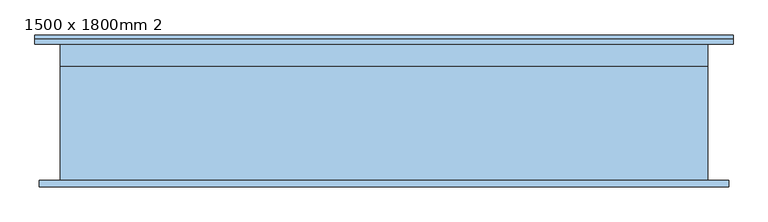
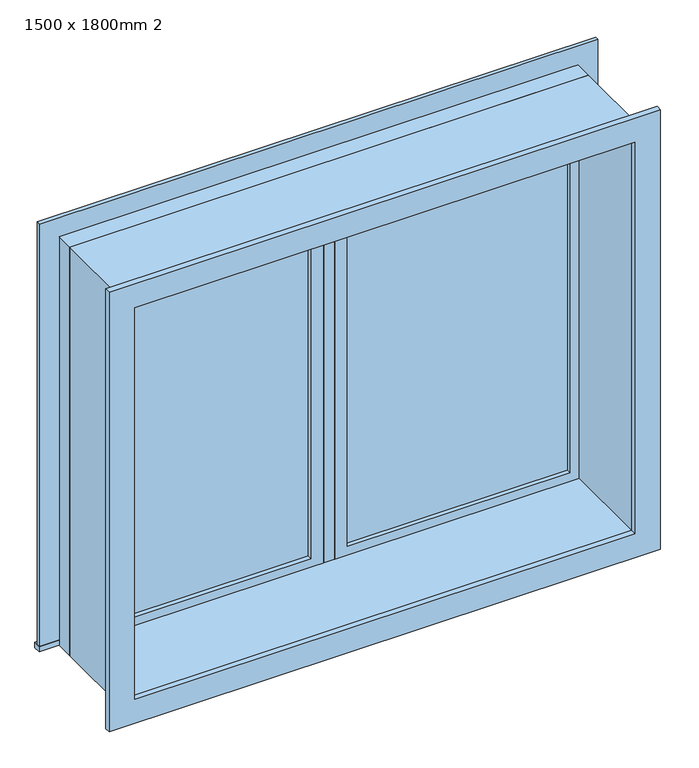
"""IFC4 building model written with IfcOpenShell, lengths in millimetres: window geometry, 1500 x 1800mm 2."""

from ifc_helpers import new_model, si_unit, frame, origin, place, context, project, spatial, polyline, outline, extrude, source, transform, mapped, element, save


def window_1500_x_1800mm_2_595f8032(model_context):
    return source(origin(), model_context, "Body", "SweptSolid", [
        extrude(outline(polyline([(63.5, 173.675), (836.5, 173.675), (836.5, 160.975), (63.5, 160.975), (63.5, 173.675)])), frame((0.0, 0.0, 863.5), z_axis=(0.0, 0.0, 1.0), x_axis=(1.0, 0.0, 0.0)), (0.0, 0.0, 1.0), 1373.0),
        extrude(outline(polyline([(2280.95, 19.05), (819.05, 19.05), (819.05, 880.95), (2280.95, 880.95), (2280.95, 19.05)]), holes=[polyline([(2236.5, 63.5), (2236.5, 836.5), (863.5, 836.5), (863.5, 63.5), (2236.5, 63.5)])]), frame((0.0, 145.1, 0.0), z_axis=(0.0, 1.0, 0.0), x_axis=(0.0, 0.0, 1.0)), (0.0, 0.0, 1.0), 44.45),
        extrude(outline(polyline([(-969.95, 234.25), (969.95, 234.25), (969.95, 208.55), (-969.95, 208.55), (-969.95, 234.25)])), frame((0.0, 0.0, 800.0), z_axis=(0.0, 0.0, 1.0), x_axis=(1.0, 0.0, 0.0)), (0.0, 0.0, 1.0), 19.05),
        extrude(outline(polyline([(2280.95, -880.95), (2280.95, 880.95), (819.05, 880.95), (819.05, 969.95), (2369.95, 969.95), (2369.95, -969.95), (819.05, -969.95), (819.05, -880.95), (2280.95, -880.95)])), frame((0.0, 208.55, 0.0), z_axis=(0.0, 1.0, 0.0), x_axis=(0.0, 0.0, 1.0)), (0.0, 0.0, 1.0), 13.0),
        extrude(outline(polyline([(2357.25, 957.25), (2357.25, -957.25), (742.75, -957.25), (742.75, 957.25), (2357.25, 957.25)]), holes=[polyline([(2268.25, 868.25), (831.75, 868.25), (831.75, -868.25), (2268.25, -868.25), (2268.25, 868.25)])]), frame((0.0, -189.45, 0.0), z_axis=(0.0, 1.0, 0.0), x_axis=(0.0, 0.0, 1.0)), (0.0, 0.0, 1.0), 19.0),
        extrude(outline(polyline([(-63.5, 160.975), (-836.5, 160.975), (-836.5, 173.675), (-63.5, 173.675), (-63.5, 160.975)])), frame((0.0, 0.0, 863.5), z_axis=(0.0, 0.0, 1.0), x_axis=(1.0, 0.0, 0.0)), (0.0, 0.0, 1.0), 1373.0),
        extrude(outline(polyline([(2280.95, -880.95), (819.05, -880.95), (819.05, -19.05), (2280.95, -19.05), (2280.95, -880.95)]), holes=[polyline([(2236.5, -836.5), (2236.5, -63.5), (863.5, -63.5), (863.5, -836.5), (2236.5, -836.5)])]), frame((0.0, 145.1, 0.0), z_axis=(0.0, 1.0, 0.0), x_axis=(0.0, 0.0, 1.0)), (0.0, 0.0, 1.0), 44.45),
        extrude(outline(polyline([(2300.0, -900.0), (800.0, -900.0), (800.0, 900.0), (2300.0, 900.0), (2300.0, -900.0)]), holes=[polyline([(2268.25, -868.25), (2268.25, 868.25), (831.75, 868.25), (831.75, -868.25), (2268.25, -868.25)])]), frame((0.0, -170.45, 0.0), z_axis=(0.0, 1.0, 0.0), x_axis=(0.0, 0.0, 1.0)), (0.0, 0.0, 1.0), 315.55),
        extrude(outline(polyline([(2300.0, 900.0), (2300.0, -900.0), (800.0, -900.0), (800.0, 900.0), (2300.0, 900.0)]), holes=[polyline([(2280.95, 880.95), (819.05, 880.95), (819.05, -880.95), (2280.95, -880.95), (2280.95, 880.95)])]), frame((0.0, 145.1, 0.0), z_axis=(0.0, 1.0, 0.0), x_axis=(0.0, 0.0, 1.0)), (0.0, 0.0, 1.0), 63.45),
        extrude(outline(polyline([(19.05, 145.1), (-19.05, 145.1), (-19.05, 208.6), (19.05, 208.6), (19.05, 145.1)])), frame((0.0, 0.0, 819.05), z_axis=(0.0, 0.0, 1.0), x_axis=(1.0, 0.0, 0.0)), (0.0, 0.0, 1.0), 1461.9),
    ])


if __name__ == "__main__":
    model = new_model("IFC4")
    model_context = context("Model", 3, world=origin())
    ifc_project = project(units=[si_unit("LENGTHUNIT", "METRE", prefix="MILLI")], contexts=[model_context])
    site = spatial("IfcSite", under=ifc_project)
    building = spatial("IfcBuilding", under=site)
    placement = place(None, origin())
    window_1500_x_1800mm_2_shape = window_1500_x_1800mm_2_595f8032(model_context)
    element("IfcWindow", 1, ObjectType="1500 x 1800mm 2", at=placement, inside=building, context=model_context, shape_type="MappedRepresentation", body=[
        mapped(window_1500_x_1800mm_2_shape, transform((0.0, 0.0, 0.0), x_axis=(1.0, 0.0, 0.0), y_axis=(0.0, 1.0, 0.0), z_axis=(0.0, 0.0, 1.0))),
    ])
    save(model, "model.ifc")
